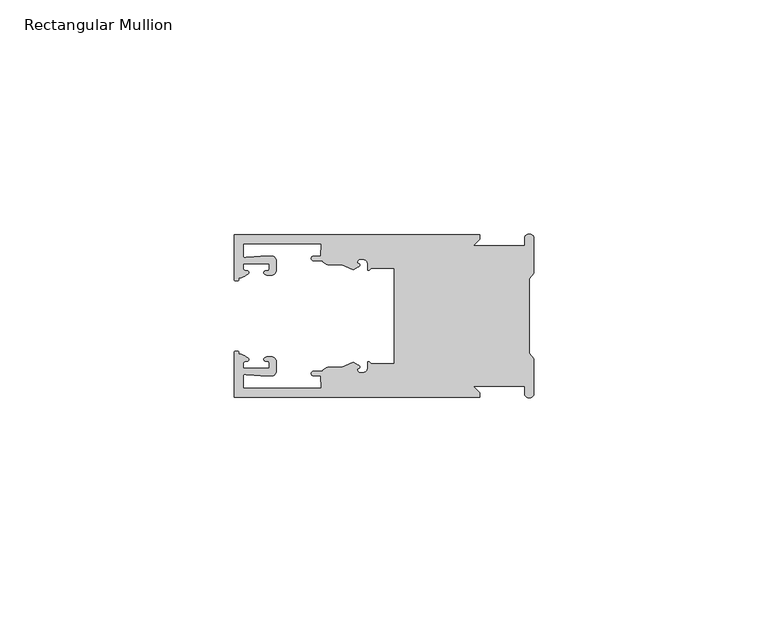
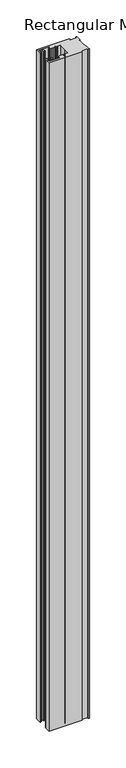
"""IFC4 building model written with IfcOpenShell, lengths in millimetres: member geometry, Rectangular Mullion."""

from ifc_helpers import new_model, si_unit, frame, origin, place, context, project, spatial, polyline, circle_curve, source, transform, mapped, element, save
from ifc_brep_helpers import plane_surface, cylinder_surface, revolved_surface, extruded_surface, spline_curve, advanced_brep


def rectangular_mullion_7a4bfeb4(model_context):
    return source(origin(), model_context, "Body", "AdvancedBrep", [
        advanced_brep(
        [(-11.5387897, 17.4000478, 0.0), (-64.0387868, 17.4000478, 0.0), (-64.0387868, 7.8350057, 0.0), (-63.2884687, 7.5412947, 0.0), (-62.4614154, 8.1921895, 0.0), (-62.0410649, 9.9426451, 0.0), (-62.0424168, 11.1926444, 0.0), (-56.54242, 11.1985924, 0.0), (-56.5410682, 9.9485931, 0.0), (-57.1085345, 8.7314723, 0.0), (-56.0397166, 8.6991345, 0.0), (-55.0407987, 9.7002154, 0.0), (-55.0430697, 11.8002142, 0.0), (-56.0446364, 12.7991315, 0.0), (-58.3650753, 12.7954945, 0.0), (-61.1340054, 12.5502269, 0.0), (-62.044093, 12.7426435, 0.0), (-62.0469668, 15.4000478, 0.0), (-45.4240312, 15.4000478, 0.0), (-45.5732135, 12.8000478, 0.0), (-47.0387868, 12.8000478, 0.0), (-47.0387868, 11.8000478, 0.0), (-45.2543363, 11.8000478, 0.0), (-43.6387868, 10.9000478, 0.0), (-41.0454034, 10.9000478, 0.0), (-38.5697136, 9.8718293, 0.0), (-37.5387868, 10.4670351, 0.0), (-37.6803436, 11.4201497, 0.0), (-37.0270763, 12.1583697, 0.0), (-36.2010815, 12.0127245, 0.0), (-35.54, 11.2248783, 0.0), (-35.54, 10.0, 0.0), (-34.7705791, 10.25, 0.0), (-29.79, 10.25, 0.0), (-29.79, 0.0, 0.0), (-29.79, -10.25, 0.0), (-34.7705791, -10.25, 0.0), (-35.54, -10.0, 0.0), (-35.54, -11.2248783, 0.0), (-36.2010815, -12.0127245, 0.0), (-37.0270763, -12.1583697, 0.0), (-37.6803436, -11.4201497, 0.0), (-37.5387868, -10.4670351, 0.0), (-38.5697136, -9.8718293, 0.0), (-41.0454034, -10.9000478, 0.0), (-43.6387868, -10.9000478, 0.0), (-45.2543363, -11.8000478, 0.0), (-47.0387868, -11.8000478, 0.0), (-47.0387868, -12.8000478, 0.0), (-45.5732135, -12.8000478, 0.0), (-45.4240312, -15.4000478, 0.0), (-62.0469668, -15.4000478, 0.0), (-62.044093, -12.7426435, 0.0), (-61.1340054, -12.5502269, 0.0), (-58.3650753, -12.7954945, 0.0), (-56.0446364, -12.7991314, 0.0), (-55.0430697, -11.8002142, 0.0), (-55.0407987, -9.7002154, 0.0), (-56.0397166, -8.6991345, 0.0), (-57.1085345, -8.7314723, 0.0), (-56.5410682, -9.9485931, 0.0), (-56.54242, -11.1985924, 0.0), (-62.0424168, -11.1926444, 0.0), (-62.0410649, -9.9426451, 0.0), (-62.4614154, -8.1921895, 0.0), (-63.2884687, -7.5412947, 0.0), (-64.0387868, -7.8350057, 0.0), (-64.0387868, -17.4000478, 0.0), (-11.5387897, -17.4000478, 0.0), (-11.5387897, -16.4000449, 0.0), (-12.9388346, -15.0, 0.0), (-2.0, -15.0, 0.0), (-2.0, -16.5, 0.0), (0.0, -16.5, 0.0), (0.0, -9.1160254, 0.0), (-1.0, -7.9613249, 0.0), (-1.0, 0.0, 0.0), (-1.0, 7.9613249, 0.0), (0.0, 9.1160254, 0.0), (0.0, 16.5, 0.0), (-2.0, 16.5, 0.0), (-2.0, 15.0, 0.0), (-12.9388346, 15.0, 0.0), (-11.5387897, 16.4000449, 0.0), (-11.5387897, 17.4000478, -1117.6), (-11.5387897, 16.4000449, -1117.6), (-12.9388346, 15.0, -1117.6), (-2.0, 15.0, -1117.6), (-2.0, 16.5, -1117.6), (0.0, 16.5, -1117.6), (0.0, 9.1160254, -1117.6), (-1.0, 7.9613249, -1117.6), (-1.0, 0.0, -1117.6), (-1.0, -7.9613249, -1117.6), (0.0, -9.1160254, -1117.6), (0.0, -16.5, -1117.6), (-2.0, -16.5, -1117.6), (-2.0, -15.0, -1117.6), (-12.9388346, -15.0, -1117.6), (-11.5387897, -16.4000449, -1117.6), (-11.5387897, -17.4000478, -1117.6), (-64.0387868, -17.4000478, -1117.6), (-64.0387868, -7.8350057, -1117.6), (-63.2884687, -7.5412947, -1117.6), (-62.4614154, -8.1921895, -1117.6), (-62.0410649, -9.9426451, -1117.6), (-62.0424168, -11.1926444, -1117.6), (-56.54242, -11.1985924, -1117.6), (-56.5410682, -9.9485931, -1117.6), (-57.1085345, -8.7314723, -1117.6), (-56.0397166, -8.6991345, -1117.6), (-55.0407987, -9.7002154, -1117.6), (-55.0430697, -11.8002142, -1117.6), (-56.0446364, -12.7991315, -1117.6), (-58.3650753, -12.7954945, -1117.6), (-61.1340054, -12.5502269, -1117.6), (-62.044093, -12.7426435, -1117.6), (-62.0469668, -15.4000478, -1117.6), (-45.4240312, -15.4000478, -1117.6), (-45.5732135, -12.8000478, -1117.6), (-47.0387868, -12.8000478, -1117.6), (-47.0387868, -11.8000478, -1117.6), (-45.2543363, -11.8000478, -1117.6), (-43.6387868, -10.9000478, -1117.6), (-41.0454034, -10.9000478, -1117.6), (-38.5697136, -9.8718293, -1117.6), (-37.5387868, -10.4670351, -1117.6), (-37.6803436, -11.4201497, -1117.6), (-37.0270763, -12.1583697, -1117.6), (-36.2010815, -12.0127245, -1117.6), (-35.54, -11.2248783, -1117.6), (-35.54, -10.0, -1117.6), (-34.7705791, -10.25, -1117.6), (-29.79, -10.25, -1117.6), (-29.79, 0.0, -1117.6), (-29.79, 10.25, -1117.6), (-34.7705791, 10.25, -1117.6), (-35.54, 10.0, -1117.6), (-35.54, 11.2248783, -1117.6), (-36.2010815, 12.0127245, -1117.6), (-37.0270763, 12.1583697, -1117.6), (-37.6803436, 11.4201497, -1117.6), (-37.5387868, 10.4670351, -1117.6), (-38.5697136, 9.8718293, -1117.6), (-41.0454034, 10.9000478, -1117.6), (-43.6387868, 10.9000478, -1117.6), (-45.2543363, 11.8000478, -1117.6), (-47.0387868, 11.8000478, -1117.6), (-47.0387868, 12.8000478, -1117.6), (-45.5732135, 12.8000478, -1117.6), (-45.4240312, 15.4000478, -1117.6), (-62.0469668, 15.4000478, -1117.6), (-62.044093, 12.7426435, -1117.6), (-61.1340054, 12.5502269, -1117.6), (-58.3650753, 12.7954945, -1117.6), (-56.0446364, 12.7991314, -1117.6), (-55.0430697, 11.8002142, -1117.6), (-55.0407987, 9.7002154, -1117.6), (-56.0397166, 8.6991345, -1117.6), (-57.1085345, 8.7314723, -1117.6), (-56.5410682, 9.9485931, -1117.6), (-56.54242, 11.1985924, -1117.6), (-62.0424168, 11.1926444, -1117.6), (-62.0410649, 9.9426451, -1117.6), (-62.4614154, 8.1921895, -1117.6), (-63.2884687, 7.5412947, -1117.6), (-64.0387868, 7.8350057, -1117.6), (-64.0387868, 17.4000478, -1117.6)],
        [
            (0, 1),
            (1, 2),
            (2, 3, spline_curve(3, [(-64.0387868, 7.8350057, 0.0), (-64.038491377, 7.561831774, 0.0), (-63.788385325, 7.463928087, 0.0), (-63.2884687, 7.5412947, 0.0)], [4, 4], [0.0, 0.0019169337574178654])),
            (3, 4, spline_curve(3, [(-63.2884687, 7.5412947, 0.0), (-63.057760917, 7.582232011, 0.0), (-63.018445067, 7.725390894, 0.0), (-63.019925494, 8.056436881, 0.0), (-63.103444208, 8.236386866, 0.0), (-62.4614154, 8.1921895, 0.0)], [4, 2, 4], [0.0, 0.0010199524164107188, 0.0024874514725970356])),
            (4, 5, spline_curve(3, [(-62.4614154, 8.1921895, 0.0), (-60.988497673, 8.880962536, 0.0), (-60.794045122, 9.192776957, 0.0), (-60.949808078, 9.57023562, 0.0), (-61.145214014, 9.682771697, 0.0), (-61.665835706, 9.714019003, 0.0), (-61.965242574, 9.660891484, 0.0), (-62.0410649, 9.9426451, 0.0)], [4, 2, 2, 4], [0.0, 0.003269869179570428, 0.005490050486237203, 0.0073545767114364426])),
            (5, 6),
            (6, 7),
            (7, 8),
            (8, 9, spline_curve(3, [(-56.5410682, 9.9485931, 0.0), (-56.634838635, 9.597117104, 0.0), (-56.904956774, 9.698238818, 0.0), (-57.324171444, 9.731086209, 0.0), (-57.45969165, 9.646199885, 0.0), (-57.729003352, 9.346016011, 0.0), (-57.859492582, 9.113082158, 0.0), (-57.1085345, 8.7314723, 0.0)], [4, 2, 2, 4], [0.0, 0.001593963049934732, 0.0033360256320283306, 0.005339140673503943])),
            (9, 10),
            (10, 11, circle_curve(frame((-56.0407981, 9.699134, 0.0), z_axis=(0.0, 0.0, 1.0), x_axis=(0.0010814451158627505, -0.9999994152380598, 0.0)), 1.0)),
            (11, 12),
            (12, 13, circle_curve(frame((-56.0430691, 11.7991327, 0.0), z_axis=(0.0, 0.0, 1.0), x_axis=(0.0010814451158627505, -0.9999994152380598, 0.0)), 1.0)),
            (13, 14),
            (14, 15),
            (15, 16, spline_curve(3, [(-61.1340054, 12.5502269, 0.0), (-61.605485428, 12.508463911, 0.0), (-61.992111419, 12.303164326, 0.0), (-62.044093, 12.7426435, 0.0)], [4, 4], [0.0, 0.0014803385355886016])),
            (16, 17),
            (17, 18),
            (18, 19),
            (19, 20),
            (20, 21, circle_curve(frame((-47.0387868, 12.3000478, 0.0), z_axis=(0.0, 0.0, 1.0), x_axis=(0.0, -1.0, 0.0)), 0.5)),
            (21, 22),
            (22, 23, circle_curve(frame((-43.6387868, 12.8000478, 0.0), z_axis=(0.0, 0.0, 1.0), x_axis=(0.0, -1.0, 0.0)), 1.9)),
            (23, 24),
            (24, 25),
            (25, 26),
            (26, 27, spline_curve(3, [(-37.5387868, 10.4670351, 0.0), (-36.973919853, 10.833863985, 0.0), (-37.198159645, 11.135696286, 0.0), (-37.587892011, 11.260246073, 0.0), (-37.754584192, 11.180452419, 0.0), (-37.6803436, 11.4201497, 0.0)], [4, 2, 4], [0.0, 0.0019283703160353726, 0.003394584635652914])),
            (27, 28, circle_curve(frame((-37.0434863, 11.5147359, 0.0), z_axis=(0.0, 0.0, -1.0), x_axis=(0.0, -1.0, 0.0)), 0.643843)),
            (28, 29),
            (29, 30, circle_curve(frame((-36.34, 11.2248783, 0.0), z_axis=(0.0, 0.0, -1.0), x_axis=(0.0, -1.0, 0.0)), 0.8)),
            (30, 31),
            (31, 32, spline_curve(3, [(-35.54, 10.0, 0.0), (-35.440000238, 9.598293201, 0.0), (-35.183526594, 9.681626535, 0.0), (-34.7705791, 10.25, 0.0)], [4, 4], [0.0, 0.0027473296990141553])),
            (32, 33),
            (33, 34),
            (34, 35),
            (35, 36),
            (36, 37, spline_curve(3, [(-34.7705791, -10.25, 0.0), (-35.183526594, -9.681626535, 0.0), (-35.440000238, -9.598293201, 0.0), (-35.54, -10.0, 0.0)], [4, 4], [0.0, 0.0027473296990141553])),
            (37, 38),
            (38, 39, circle_curve(frame((-36.34, -11.2248783, 0.0), z_axis=(0.0, 0.0, -1.0), x_axis=(0.0, 1.0, 0.0)), 0.8)),
            (39, 40),
            (40, 41, circle_curve(frame((-37.0434863, -11.5147359, 0.0), z_axis=(0.0, 0.0, -1.0), x_axis=(0.0, 1.0, 0.0)), 0.643843)),
            (41, 42, spline_curve(3, [(-37.6803436, -11.4201497, 0.0), (-37.754584192, -11.180452419, 0.0), (-37.587892011, -11.260246073, 0.0), (-37.198159645, -11.135696286, 0.0), (-36.973919853, -10.833863985, 0.0), (-37.5387868, -10.4670351, 0.0)], [4, 2, 4], [0.0, 0.0014662143196175414, 0.003394584635652914])),
            (42, 43),
            (43, 44),
            (44, 45),
            (45, 46, circle_curve(frame((-43.6387868, -12.8000478, 0.0), z_axis=(0.0, 0.0, 1.0), x_axis=(0.0, 1.0, 0.0)), 1.9)),
            (46, 47),
            (47, 48, circle_curve(frame((-47.0387868, -12.3000478, 0.0), z_axis=(0.0, 0.0, 1.0), x_axis=(0.0, 1.0, 0.0)), 0.5)),
            (48, 49),
            (49, 50),
            (50, 51),
            (51, 52),
            (52, 53, spline_curve(3, [(-62.044093, -12.7426435, 0.0), (-61.992111419, -12.303164326, 0.0), (-61.605485428, -12.508463911, 0.0), (-61.1340054, -12.5502269, 0.0)], [4, 4], [0.0, 0.0014803385355886016])),
            (53, 54),
            (54, 55),
            (55, 56, circle_curve(frame((-56.0430691, -11.7991327, 0.0), z_axis=(0.0, 0.0, 1.0), x_axis=(0.001081445115855867, 0.9999994152380598, 0.0)), 1.0)),
            (56, 57),
            (57, 58, circle_curve(frame((-56.0407981, -9.699134, 0.0), z_axis=(0.0, 0.0, 1.0), x_axis=(0.001081445115855867, 0.9999994152380598, 0.0)), 1.0)),
            (58, 59),
            (59, 60, spline_curve(3, [(-57.1085345, -8.7314723, 0.0), (-57.859492582, -9.113082158, 0.0), (-57.729003352, -9.346016011, 0.0), (-57.45969165, -9.646199885, 0.0), (-57.324171444, -9.731086209, 0.0), (-56.904956774, -9.698238818, 0.0), (-56.634838635, -9.597117104, 0.0), (-56.5410682, -9.9485931, 0.0)], [4, 2, 2, 4], [0.0, 0.002003115041475612, 0.0037451776235692107, 0.005339140673503943])),
            (60, 61),
            (61, 62),
            (62, 63),
            (63, 64, spline_curve(3, [(-62.0410649, -9.9426451, 0.0), (-61.965242574, -9.660891484, 0.0), (-61.665835706, -9.714019003, 0.0), (-61.145214014, -9.682771697, 0.0), (-60.949808078, -9.57023562, 0.0), (-60.794045122, -9.192776957, 0.0), (-60.988497673, -8.880962536, 0.0), (-62.4614154, -8.1921895, 0.0)], [4, 2, 2, 4], [0.0, 0.0018645262251992395, 0.004084707531866015, 0.0073545767114364426])),
            (64, 65, spline_curve(3, [(-62.4614154, -8.1921895, 0.0), (-63.103444208, -8.236386866, 0.0), (-63.019925494, -8.056436881, 0.0), (-63.018445067, -7.725390894, 0.0), (-63.057760917, -7.582232011, 0.0), (-63.2884687, -7.5412947, 0.0)], [4, 2, 4], [0.0, 0.0014674990561863168, 0.0024874514725970356])),
            (65, 66, spline_curve(3, [(-63.2884687, -7.5412947, 0.0), (-63.788385325, -7.463928087, 0.0), (-64.038491377, -7.561831774, 0.0), (-64.0387868, -7.8350057, 0.0)], [4, 4], [0.0, 0.0019169337574178654])),
            (66, 67),
            (67, 68),
            (68, 69),
            (69, 70),
            (70, 71),
            (71, 72),
            (72, 73, circle_curve(frame((-1.0, -16.5, 0.0), z_axis=(0.0, 0.0, 1.0), x_axis=(0.0, 1.0, 0.0)), 1.0)),
            (73, 74),
            (74, 75),
            (75, 76),
            (76, 77),
            (77, 78),
            (78, 79),
            (79, 80, circle_curve(frame((-1.0, 16.5, 0.0), z_axis=(0.0, 0.0, 1.0), x_axis=(0.0, -1.0, 0.0)), 1.0)),
            (80, 81),
            (81, 82),
            (82, 83),
            (83, 0),
            (84, 85),
            (85, 86),
            (86, 87),
            (87, 88),
            (88, 89, circle_curve(frame((-1.0, 16.5, -1117.6), z_axis=(0.0, 0.0, -1.0), x_axis=(0.0, -1.0, 0.0)), 1.0)),
            (89, 90),
            (90, 91),
            (91, 92),
            (92, 93),
            (93, 94),
            (94, 95),
            (95, 96, circle_curve(frame((-1.0, -16.5, -1117.6), z_axis=(0.0, 0.0, -1.0), x_axis=(0.0, 1.0, 0.0)), 1.0)),
            (96, 97),
            (97, 98),
            (98, 99),
            (99, 100),
            (100, 101),
            (101, 102),
            (102, 103, spline_curve(3, [(-64.0387868, -7.8350057, -1117.6), (-64.038491377, -7.561831774, -1117.6), (-63.788385325, -7.463928087, -1117.6), (-63.2884687, -7.5412947, -1117.6)], [4, 4], [0.0, 0.0019169337574178654])),
            (103, 104, spline_curve(3, [(-63.2884687, -7.5412947, -1117.6), (-63.057760917, -7.582232011, -1117.6), (-63.018445067, -7.725390894, -1117.6), (-63.019925494, -8.056436881, -1117.6), (-63.103444208, -8.236386866, -1117.6), (-62.4614154, -8.1921895, -1117.6)], [4, 2, 4], [0.0, 0.0010199524164107188, 0.0024874514725970356])),
            (104, 105, spline_curve(3, [(-62.4614154, -8.1921895, -1117.6), (-60.988497673, -8.880962536, -1117.6), (-60.794045122, -9.192776957, -1117.6), (-60.949808078, -9.57023562, -1117.6), (-61.145214014, -9.682771697, -1117.6), (-61.665835706, -9.714019003, -1117.6), (-61.965242574, -9.660891484, -1117.6), (-62.0410649, -9.9426451, -1117.6)], [4, 2, 2, 4], [0.0, 0.003269869179570428, 0.005490050486237203, 0.0073545767114364426])),
            (105, 106),
            (106, 107),
            (107, 108),
            (108, 109, spline_curve(3, [(-56.5410682, -9.9485931, -1117.6), (-56.634838635, -9.597117104, -1117.6), (-56.904956774, -9.698238818, -1117.6), (-57.324171444, -9.731086209, -1117.6), (-57.45969165, -9.646199885, -1117.6), (-57.729003352, -9.346016011, -1117.6), (-57.859492582, -9.113082158, -1117.6), (-57.1085345, -8.7314723, -1117.6)], [4, 2, 2, 4], [0.0, 0.001593963049934732, 0.0033360256320283306, 0.005339140673503943])),
            (109, 110),
            (110, 111, circle_curve(frame((-56.0407981, -9.699134, -1117.6), z_axis=(0.0, 0.0, -1.0), x_axis=(0.001081445115855867, 0.9999994152380598, 0.0)), 1.0)),
            (111, 112),
            (112, 113, circle_curve(frame((-56.0430691, -11.7991327, -1117.6), z_axis=(0.0, 0.0, -1.0), x_axis=(0.001081445115855867, 0.9999994152380598, 0.0)), 1.0)),
            (113, 114),
            (114, 115),
            (115, 116, spline_curve(3, [(-61.1340054, -12.5502269, -1117.6), (-61.605485428, -12.508463911, -1117.6), (-61.992111419, -12.303164326, -1117.6), (-62.044093, -12.7426435, -1117.6)], [4, 4], [0.0, 0.0014803385355886016])),
            (116, 117),
            (117, 118),
            (118, 119),
            (119, 120),
            (120, 121, circle_curve(frame((-47.0387868, -12.3000478, -1117.6), z_axis=(0.0, 0.0, -1.0), x_axis=(0.0, 1.0, 0.0)), 0.5)),
            (121, 122),
            (122, 123, circle_curve(frame((-43.6387868, -12.8000478, -1117.6), z_axis=(0.0, 0.0, -1.0), x_axis=(0.0, 1.0, 0.0)), 1.9)),
            (123, 124),
            (124, 125),
            (125, 126),
            (126, 127, spline_curve(3, [(-37.5387868, -10.4670351, -1117.6), (-36.973919853, -10.833863985, -1117.6), (-37.198159645, -11.135696286, -1117.6), (-37.587892011, -11.260246073, -1117.6), (-37.754584192, -11.180452419, -1117.6), (-37.6803436, -11.4201497, -1117.6)], [4, 2, 4], [0.0, 0.0019283703160353726, 0.003394584635652914])),
            (127, 128, circle_curve(frame((-37.0434863, -11.5147359, -1117.6), z_axis=(0.0, 0.0, 1.0), x_axis=(0.0, 1.0, 0.0)), 0.643843)),
            (128, 129),
            (129, 130, circle_curve(frame((-36.34, -11.2248783, -1117.6), z_axis=(0.0, 0.0, 1.0), x_axis=(0.0, 1.0, 0.0)), 0.8)),
            (130, 131),
            (131, 132, spline_curve(3, [(-35.54, -10.0, -1117.6), (-35.440000238, -9.598293201, -1117.6), (-35.183526594, -9.681626535, -1117.6), (-34.7705791, -10.25, -1117.6)], [4, 4], [0.0, 0.0027473296990141553])),
            (132, 133),
            (133, 134),
            (134, 135),
            (135, 136),
            (136, 137, spline_curve(3, [(-34.7705791, 10.25, -1117.6), (-35.183526594, 9.681626535, -1117.6), (-35.440000238, 9.598293201, -1117.6), (-35.54, 10.0, -1117.6)], [4, 4], [0.0, 0.0027473296990141553])),
            (137, 138),
            (138, 139, circle_curve(frame((-36.34, 11.2248783, -1117.6), z_axis=(0.0, 0.0, 1.0), x_axis=(0.0, -1.0, 0.0)), 0.8)),
            (139, 140),
            (140, 141, circle_curve(frame((-37.0434863, 11.5147359, -1117.6), z_axis=(0.0, 0.0, 1.0), x_axis=(0.0, -1.0, 0.0)), 0.643843)),
            (141, 142, spline_curve(3, [(-37.6803436, 11.4201497, -1117.6), (-37.754584192, 11.180452419, -1117.6), (-37.587892011, 11.260246073, -1117.6), (-37.198159645, 11.135696286, -1117.6), (-36.973919853, 10.833863985, -1117.6), (-37.5387868, 10.4670351, -1117.6)], [4, 2, 4], [0.0, 0.0014662143196175414, 0.003394584635652914])),
            (142, 143),
            (143, 144),
            (144, 145),
            (145, 146, circle_curve(frame((-43.6387868, 12.8000478, -1117.6), z_axis=(0.0, 0.0, -1.0), x_axis=(0.0, -1.0, 0.0)), 1.9)),
            (146, 147),
            (147, 148, circle_curve(frame((-47.0387868, 12.3000478, -1117.6), z_axis=(0.0, 0.0, -1.0), x_axis=(0.0, -1.0, 0.0)), 0.5)),
            (148, 149),
            (149, 150),
            (150, 151),
            (151, 152),
            (152, 153, spline_curve(3, [(-62.044093, 12.7426435, -1117.6), (-61.992111419, 12.303164326, -1117.6), (-61.605485428, 12.508463911, -1117.6), (-61.1340054, 12.5502269, -1117.6)], [4, 4], [0.0, 0.0014803385355886016])),
            (153, 154),
            (154, 155),
            (155, 156, circle_curve(frame((-56.0430691, 11.7991327, -1117.6), z_axis=(0.0, 0.0, -1.0), x_axis=(0.0010814451158627505, -0.9999994152380598, 0.0)), 1.0)),
            (156, 157),
            (157, 158, circle_curve(frame((-56.0407981, 9.699134, -1117.6), z_axis=(0.0, 0.0, -1.0), x_axis=(0.0010814451158627505, -0.9999994152380598, 0.0)), 1.0)),
            (158, 159),
            (159, 160, spline_curve(3, [(-57.1085345, 8.7314723, -1117.6), (-57.859492582, 9.113082158, -1117.6), (-57.729003352, 9.346016011, -1117.6), (-57.45969165, 9.646199885, -1117.6), (-57.324171444, 9.731086209, -1117.6), (-56.904956774, 9.698238818, -1117.6), (-56.634838635, 9.597117104, -1117.6), (-56.5410682, 9.9485931, -1117.6)], [4, 2, 2, 4], [0.0, 0.002003115041475612, 0.0037451776235692107, 0.005339140673503943])),
            (160, 161),
            (161, 162),
            (162, 163),
            (163, 164, spline_curve(3, [(-62.0410649, 9.9426451, -1117.6), (-61.965242574, 9.660891484, -1117.6), (-61.665835706, 9.714019003, -1117.6), (-61.145214014, 9.682771697, -1117.6), (-60.949808078, 9.57023562, -1117.6), (-60.794045122, 9.192776957, -1117.6), (-60.988497673, 8.880962536, -1117.6), (-62.4614154, 8.1921895, -1117.6)], [4, 2, 2, 4], [0.0, 0.0018645262251992395, 0.004084707531866015, 0.0073545767114364426])),
            (164, 165, spline_curve(3, [(-62.4614154, 8.1921895, -1117.6), (-63.103444208, 8.236386866, -1117.6), (-63.019925494, 8.056436881, -1117.6), (-63.018445067, 7.725390894, -1117.6), (-63.057760917, 7.582232011, -1117.6), (-63.2884687, 7.5412947, -1117.6)], [4, 2, 4], [0.0, 0.0014674990561863168, 0.0024874514725970356])),
            (165, 166, spline_curve(3, [(-63.2884687, 7.5412947, -1117.6), (-63.788385325, 7.463928087, -1117.6), (-64.038491377, 7.561831774, -1117.6), (-64.0387868, 7.8350057, -1117.6)], [4, 4], [0.0, 0.0019169337574178654])),
            (166, 167),
            (167, 84),
            (0, 84),
            (167, 1),
            (166, 2),
            (165, 3),
            (164, 4),
            (163, 5),
            (162, 6),
            (161, 7),
            (160, 8),
            (159, 9),
            (158, 10),
            (157, 11),
            (156, 12),
            (155, 13),
            (154, 14),
            (153, 15),
            (152, 16),
            (151, 17),
            (150, 18),
            (149, 19),
            (148, 20),
            (147, 21),
            (146, 22),
            (145, 23),
            (144, 24),
            (143, 25),
            (142, 26),
            (141, 27),
            (140, 28),
            (139, 29),
            (138, 30),
            (137, 31),
            (136, 32),
            (135, 33),
            (134, 34),
            (133, 35),
            (132, 36),
            (131, 37),
            (130, 38),
            (129, 39),
            (128, 40),
            (127, 41),
            (126, 42),
            (125, 43),
            (124, 44),
            (123, 45),
            (122, 46),
            (121, 47),
            (120, 48),
            (119, 49),
            (118, 50),
            (117, 51),
            (116, 52),
            (115, 53),
            (114, 54),
            (113, 55),
            (112, 56),
            (111, 57),
            (110, 58),
            (109, 59),
            (108, 60),
            (107, 61),
            (106, 62),
            (105, 63),
            (104, 64),
            (103, 65),
            (102, 66),
            (101, 67),
            (100, 68),
            (99, 69),
            (98, 70),
            (97, 71),
            (96, 72),
            (95, 73),
            (94, 74),
            (93, 75),
            (92, 76),
            (91, 77),
            (90, 78),
            (89, 79),
            (88, 80),
            (87, 81),
            (86, 82),
            (85, 83),
        ],
        [
            plane_surface(frame((0.0, -66.3605898, 0.0), z_axis=(0.0, 0.0, 1.0), x_axis=(-1.0, 0.0, 0.0))),
            plane_surface(frame((0.0, -66.3605898, -1117.6), z_axis=(0.0, 0.0, -1.0), x_axis=(-1.0, 0.0, 0.0))),
            plane_surface(frame((-11.5387897, 17.4000478, 0.0), z_axis=(0.0, 1.0, 0.0), x_axis=(0.0, 0.0, -1.0))),
            plane_surface(frame((-64.0387868, 17.4000478, 0.0), z_axis=(-1.0, 0.0, 0.0), x_axis=(0.0, 0.0, -1.0))),
            extruded_surface(spline_curve(3, [(-64.0387868, 7.8350057, -1117.6), (-64.038491377, 7.561831774, -1117.6), (-63.788385325, 7.463928087, -1117.6), (-63.2884687, 7.5412947, -1117.6)], [4, 4], [0.0, 0.0019169337574178654]), (0.0, 0.0, 1117.6), 1117.6),
            extruded_surface(spline_curve(3, [(-63.2884687, 7.5412947, -1117.6), (-63.057760917, 7.582232011, -1117.6), (-63.018445067, 7.725390894, -1117.6), (-63.019925494, 8.056436881, -1117.6), (-63.103444208, 8.236386866, -1117.6), (-62.4614154, 8.1921895, -1117.6)], [4, 2, 4], [0.0, 0.0010199524164107188, 0.0024874514725970356]), (0.0, 0.0, 1117.6), 1117.6),
            extruded_surface(spline_curve(3, [(-62.4614154, 8.1921895, -1117.6), (-60.988497673, 8.880962536, -1117.6), (-60.794045122, 9.192776957, -1117.6), (-60.949808078, 9.57023562, -1117.6), (-61.145214014, 9.682771697, -1117.6), (-61.665835706, 9.714019003, -1117.6), (-61.965242574, 9.660891484, -1117.6), (-62.0410649, 9.9426451, -1117.6)], [4, 2, 2, 4], [0.0, 0.003269869179570428, 0.005490050486237203, 0.0073545767114364426]), (0.0, 0.0, 1117.6), 1117.6),
            plane_surface(frame((-62.0410649, 9.9426451, 0.0), z_axis=(0.9999994152380598, 0.0010814451158593665, 0.0), x_axis=(0.0, 0.0, -1.0))),
            plane_surface(frame((-62.0424168, 11.1926444, 0.0), z_axis=(0.0010814451158611391, -0.9999994152380598, 0.0), x_axis=(0.0, 0.0, -1.0))),
            plane_surface(frame((-56.54242, 11.1985924, 0.0), z_axis=(-0.9999994152380598, -0.0010814451158584516, 0.0), x_axis=(0.0, 0.0, -1.0))),
            extruded_surface(spline_curve(3, [(-56.5410682, 9.9485931, -1117.6), (-56.634838635, 9.597117104, -1117.6), (-56.904956774, 9.698238818, -1117.6), (-57.324171444, 9.731086209, -1117.6), (-57.45969165, 9.646199885, -1117.6), (-57.729003352, 9.346016011, -1117.6), (-57.859492582, 9.113082158, -1117.6), (-57.1085345, 8.7314723, -1117.6)], [4, 2, 2, 4], [0.0, 0.001593963049934732, 0.0033360256320283306, 0.005339140673503943]), (0.0, 0.0, 1117.6), 1117.6),
            plane_surface(frame((-57.1085345, 8.7314723, 0.0), z_axis=(-0.030241832452869922, -0.9995426111826813, 0.0), x_axis=(0.0, 0.0, -1.0))),
            cylinder_surface(frame((-56.0407981, 9.699134, 0.0), z_axis=(0.0, 0.0, 1.0000000000000002), x_axis=(0.0010814451158627505, -0.9999994152380598, 0.0)), 1.0),
            plane_surface(frame((-55.0407987, 9.7002154, 0.0), z_axis=(0.9999994152380598, 0.001081445115858722, 0.0), x_axis=(0.0, 0.0, -1.0))),
            cylinder_surface(frame((-56.0430691, 11.7991327, 0.0), z_axis=(0.0, 0.0, 1.0000000000000002), x_axis=(0.0010814451158627505, -0.9999994152380598, 0.0)), 1.0),
            plane_surface(frame((-56.0446364, 12.7991314, 0.0), z_axis=(-0.0015673183327907744, 0.9999987717558677, 0.0), x_axis=(0.0, 0.0, -1.0))),
            plane_surface(frame((-58.3650753, 12.7954945, 0.0), z_axis=(-0.08823302167299531, 0.9960998614026874, 0.0), x_axis=(0.0, 0.0, -1.0))),
            extruded_surface(spline_curve(3, [(-61.1340054, 12.5502269, -1117.6), (-61.605485428, 12.508463911, -1117.6), (-61.992111419, 12.303164326, -1117.6), (-62.044093, 12.7426435, -1117.6)], [4, 4], [0.0, 0.0014803385355886016]), (0.0, 0.0, 1117.6), 1117.6),
            plane_surface(frame((-62.044093, 12.7426435, 0.0), z_axis=(0.9999994152380598, 0.0010814451158597813, 0.0), x_axis=(0.0, 0.0, -1.0))),
            plane_surface(frame((-62.0469668, 15.4000478, 0.0), z_axis=(0.0, -1.0, 0.0), x_axis=(0.0, 0.0, -1.0))),
            plane_surface(frame((-45.4240312, 15.4000478, 0.0), z_axis=(-0.9983579461523547, 0.05728360458675776, 0.0), x_axis=(0.0, 0.0, -1.0))),
            plane_surface(frame((-45.5732135, 12.8000478, 0.0), z_axis=(0.0, 1.0, 0.0), x_axis=(0.0, 0.0, -1.0))),
            cylinder_surface(frame((-47.0387868, 12.3000478, 0.0), z_axis=(0.0, 0.0, 1.0), x_axis=(0.0, -1.0, 0.0)), 0.5),
            plane_surface(frame((-47.0387868, 11.8000478, 0.0), z_axis=(0.0, -1.0, 0.0), x_axis=(0.0, 0.0, -1.0))),
            cylinder_surface(frame((-43.6387868, 12.8000478, 0.0), z_axis=(0.0, 0.0, 1.0), x_axis=(0.0, -1.0, 0.0)), 1.9),
            plane_surface(frame((-43.6387868, 10.9000478, 0.0), z_axis=(0.0, -1.0, 0.0), x_axis=(0.0, 0.0, -1.0))),
            plane_surface(frame((-41.0454034, 10.9000478, 0.0), z_axis=(-0.3835602140750569, -0.9235158700199453, 0.0), x_axis=(0.0, 0.0, -1.0))),
            plane_surface(frame((-38.5697136, 9.8718293, 0.0), z_axis=(0.5000000000252295, -0.8660254037698725, 0.0), x_axis=(0.0, 0.0, -1.0))),
            extruded_surface(spline_curve(3, [(-37.5387868, 10.4670351, -1117.6), (-36.973919853, 10.833863985, -1117.6), (-37.198159645, 11.135696286, -1117.6), (-37.587892011, 11.260246073, -1117.6), (-37.754584192, 11.180452419, -1117.6), (-37.6803436, 11.4201497, -1117.6)], [4, 2, 4], [0.0, 0.0019283703160353726, 0.003394584635652914]), (0.0, 0.0, 1117.6), 1117.6),
            revolved_surface(polyline([(-37.0434863, 10.8708929, -1117.6), (-37.0434863, 10.8708929, 0.0)]), (-37.0434863, 11.5147359, 0.0), (0.0, 0.0, -1.0)),
            plane_surface(frame((-37.0270763, 12.1583697, 0.0), z_axis=(-0.17364817767050408, -0.984807753011578, 0.0), x_axis=(0.0, 0.0, -1.0))),
            revolved_surface(polyline([(-36.34, 10.4248783, -1117.6), (-36.34, 10.4248783, 0.0)]), (-36.34, 11.2248783, 0.0), (0.0, 0.0, -1.0)),
            plane_surface(frame((-35.54, 11.2248783, 0.0), z_axis=(-1.0, 0.0, 0.0), x_axis=(0.0, 0.0, -1.0))),
            extruded_surface(spline_curve(3, [(-35.54, 10.0, -1117.6), (-35.440000238, 9.598293201, -1117.6), (-35.183526594, 9.681626535, -1117.6), (-34.7705791, 10.25, -1117.6)], [4, 4], [0.0, 0.0027473296990141553]), (0.0, 0.0, 1117.6), 1117.6),
            plane_surface(frame((-34.7705791, 10.25, 0.0), z_axis=(0.0, -1.0, 0.0), x_axis=(0.0, 0.0, -1.0))),
            plane_surface(frame((-29.79, 10.25, 0.0), z_axis=(-1.0, 0.0, 0.0), x_axis=(0.0, 0.0, -1.0))),
            plane_surface(frame((-29.79, 0.0, 0.0), z_axis=(-1.0, 0.0, 0.0), x_axis=(0.0, 0.0, -1.0))),
            plane_surface(frame((-29.79, -10.25, 0.0), z_axis=(0.0, 1.0, 0.0), x_axis=(0.0, 0.0, -1.0))),
            extruded_surface(spline_curve(3, [(-34.7705791, -10.25, -1117.6), (-35.183526594, -9.681626535, -1117.6), (-35.440000238, -9.598293201, -1117.6), (-35.54, -10.0, -1117.6)], [4, 4], [0.0, 0.0027473296990141553]), (0.0, 0.0, 1117.6), 1117.6),
            plane_surface(frame((-35.54, -10.0, 0.0), z_axis=(-1.0, 0.0, 0.0), x_axis=(0.0, 0.0, -1.0))),
            revolved_surface(polyline([(-36.34, -10.4248783, -1117.6), (-36.34, -10.4248783, 0.0)]), (-36.34, -11.2248783, 0.0), (0.0, 0.0, -1.0)),
            plane_surface(frame((-36.2010815, -12.0127245, 0.0), z_axis=(-0.17364817767051083, 0.9848077530115767, 0.0), x_axis=(0.0, 0.0, -1.0))),
            revolved_surface(polyline([(-37.0434863, -10.8708929, -1117.6), (-37.0434863, -10.8708929, 0.0)]), (-37.0434863, -11.5147359, 0.0), (0.0, 0.0, -1.0)),
            extruded_surface(spline_curve(3, [(-37.6803436, -11.4201497, -1117.6), (-37.754584192, -11.180452419, -1117.6), (-37.587892011, -11.260246073, -1117.6), (-37.198159645, -11.135696286, -1117.6), (-36.973919853, -10.833863985, -1117.6), (-37.5387868, -10.4670351, -1117.6)], [4, 2, 4], [0.0, 0.0014662143196175414, 0.003394584635652914]), (0.0, 0.0, 1117.6), 1117.6),
            plane_surface(frame((-37.5387868, -10.4670351, 0.0), z_axis=(0.5000000000252234, 0.8660254037698759, 0.0), x_axis=(0.0, 0.0, -1.0))),
            plane_surface(frame((-38.5697136, -9.8718293, 0.0), z_axis=(-0.38356021407506324, 0.9235158700199426, 0.0), x_axis=(0.0, 0.0, -1.0))),
            plane_surface(frame((-41.0454034, -10.9000478, 0.0), z_axis=(0.0, 1.0, 0.0), x_axis=(0.0, 0.0, -1.0))),
            cylinder_surface(frame((-43.6387868, -12.8000478, 0.0), z_axis=(0.0, 0.0, 1.0), x_axis=(0.0, 1.0, 0.0)), 1.9),
            plane_surface(frame((-45.2543363, -11.8000478, 0.0), z_axis=(0.0, 1.0, 0.0), x_axis=(0.0, 0.0, -1.0))),
            cylinder_surface(frame((-47.0387868, -12.3000478, 0.0), z_axis=(0.0, 0.0, 1.0), x_axis=(0.0, 1.0, 0.0)), 0.5),
            plane_surface(frame((-47.0387868, -12.8000478, 0.0), z_axis=(0.0, -1.0, 0.0), x_axis=(0.0, 0.0, -1.0))),
            plane_surface(frame((-45.5732135, -12.8000478, 0.0), z_axis=(-0.9983579461523543, -0.05728360458676463, 0.0), x_axis=(0.0, 0.0, -1.0))),
            plane_surface(frame((-45.4240312, -15.4000478, 0.0), z_axis=(0.0, 1.0, 0.0), x_axis=(0.0, 0.0, -1.0))),
            plane_surface(frame((-62.0469668, -15.4000478, 0.0), z_axis=(0.9999994152380598, -0.001081445115852898, 0.0), x_axis=(0.0, 0.0, -1.0))),
            extruded_surface(spline_curve(3, [(-62.044093, -12.7426435, -1117.6), (-61.992111419, -12.303164326, -1117.6), (-61.605485428, -12.508463911, -1117.6), (-61.1340054, -12.5502269, -1117.6)], [4, 4], [0.0, 0.0014803385355886016]), (0.0, 0.0, 1117.6), 1117.6),
            plane_surface(frame((-61.1340054, -12.5502269, 0.0), z_axis=(-0.08823302167298844, -0.9960998614026879, 0.0), x_axis=(0.0, 0.0, -1.0))),
            plane_surface(frame((-58.3650753, -12.7954945, 0.0), z_axis=(-0.001567318332783891, -0.9999987717558677, 0.0), x_axis=(0.0, 0.0, -1.0))),
            cylinder_surface(frame((-56.0430691, -11.7991327, 0.0), z_axis=(0.0, 0.0, 1.0000000000000002), x_axis=(0.001081445115855867, 0.9999994152380598, 0.0)), 1.0),
            plane_surface(frame((-55.0430697, -11.8002142, 0.0), z_axis=(0.9999994152380598, -0.0010814451158518386, 0.0), x_axis=(0.0, 0.0, -1.0))),
            cylinder_surface(frame((-56.0407981, -9.699134, 0.0), z_axis=(0.0, 0.0, 1.0000000000000002), x_axis=(0.001081445115855867, 0.9999994152380598, 0.0)), 1.0),
            plane_surface(frame((-56.0397166, -8.6991345, 0.0), z_axis=(-0.030241832452876805, 0.9995426111826811, 0.0), x_axis=(0.0, 0.0, -1.0))),
            extruded_surface(spline_curve(3, [(-57.1085345, -8.7314723, -1117.6), (-57.859492582, -9.113082158, -1117.6), (-57.729003352, -9.346016011, -1117.6), (-57.45969165, -9.646199885, -1117.6), (-57.324171444, -9.731086209, -1117.6), (-56.904956774, -9.698238818, -1117.6), (-56.634838635, -9.597117104, -1117.6), (-56.5410682, -9.9485931, -1117.6)], [4, 2, 2, 4], [0.0, 0.002003115041475612, 0.0037451776235692107, 0.005339140673503943]), (0.0, 0.0, 1117.6), 1117.6),
            plane_surface(frame((-56.5410682, -9.9485931, 0.0), z_axis=(-0.9999994152380598, 0.0010814451158515682, 0.0), x_axis=(0.0, 0.0, -1.0))),
            plane_surface(frame((-56.54242, -11.1985924, 0.0), z_axis=(0.0010814451158542558, 0.9999994152380598, 0.0), x_axis=(0.0, 0.0, -1.0))),
            plane_surface(frame((-62.0424168, -11.1926444, 0.0), z_axis=(0.9999994152380598, -0.001081445115852483, 0.0), x_axis=(0.0, 0.0, -1.0))),
            extruded_surface(spline_curve(3, [(-62.0410649, -9.9426451, -1117.6), (-61.965242574, -9.660891484, -1117.6), (-61.665835706, -9.714019003, -1117.6), (-61.145214014, -9.682771697, -1117.6), (-60.949808078, -9.57023562, -1117.6), (-60.794045122, -9.192776957, -1117.6), (-60.988497673, -8.880962536, -1117.6), (-62.4614154, -8.1921895, -1117.6)], [4, 2, 2, 4], [0.0, 0.0018645262251992395, 0.004084707531866015, 0.0073545767114364426]), (0.0, 0.0, 1117.6), 1117.6),
            extruded_surface(spline_curve(3, [(-62.4614154, -8.1921895, -1117.6), (-63.103444208, -8.236386866, -1117.6), (-63.019925494, -8.056436881, -1117.6), (-63.018445067, -7.725390894, -1117.6), (-63.057760917, -7.582232011, -1117.6), (-63.2884687, -7.5412947, -1117.6)], [4, 2, 4], [0.0, 0.0014674990561863168, 0.0024874514725970356]), (0.0, 0.0, 1117.6), 1117.6),
            extruded_surface(spline_curve(3, [(-63.2884687, -7.5412947, -1117.6), (-63.788385325, -7.463928087, -1117.6), (-64.038491377, -7.561831774, -1117.6), (-64.0387868, -7.8350057, -1117.6)], [4, 4], [0.0, 0.0019169337574178654]), (0.0, 0.0, 1117.6), 1117.6),
            plane_surface(frame((-64.0387868, -7.8350057, 0.0), z_axis=(-1.0, 0.0, 0.0), x_axis=(0.0, 0.0, -1.0))),
            plane_surface(frame((-64.0387868, -17.4000478, 0.0), z_axis=(0.0, -1.0, 0.0), x_axis=(0.0, 0.0, -1.0))),
            plane_surface(frame((-11.5387897, -17.4000478, 0.0), z_axis=(1.0, 0.0, 0.0), x_axis=(0.0, 0.0, -1.0))),
            plane_surface(frame((-11.5387897, -16.4000449, 0.0), z_axis=(0.7071067811865457, 0.7071067811865493, 0.0), x_axis=(0.0, 0.0, -1.0))),
            plane_surface(frame((-12.9388346, -15.0, 0.0), z_axis=(0.0, -1.0, 0.0), x_axis=(0.0, 0.0, -1.0))),
            plane_surface(frame((-2.0, -15.0, 0.0), z_axis=(-1.0, 0.0, 0.0), x_axis=(0.0, 0.0, -1.0))),
            cylinder_surface(frame((-1.0, -16.5, 0.0), z_axis=(0.0, 0.0, 1.0), x_axis=(0.0, 1.0, 0.0)), 1.0),
            plane_surface(frame((0.0, -16.5, 0.0), z_axis=(1.0, 0.0, 0.0), x_axis=(0.0, 0.0, -1.0))),
            plane_surface(frame((0.0, -9.1160254, 0.0), z_axis=(0.7559289460231527, 0.6546536707025522, 0.0), x_axis=(0.0, 0.0, -1.0))),
            plane_surface(frame((-1.0, -7.9613249, 0.0), z_axis=(1.0, 0.0, 0.0), x_axis=(0.0, 0.0, -1.0))),
            plane_surface(frame((-1.0, 0.0, 0.0), z_axis=(1.0, 0.0, 0.0), x_axis=(0.0, 0.0, -1.0))),
            plane_surface(frame((-1.0, 7.9613249, 0.0), z_axis=(0.7559289460231571, -0.654653670702547, 0.0), x_axis=(0.0, 0.0, -1.0))),
            plane_surface(frame((0.0, 9.1160254, 0.0), z_axis=(1.0, 0.0, 0.0), x_axis=(0.0, 0.0, -1.0))),
            cylinder_surface(frame((-1.0, 16.5, 0.0), z_axis=(0.0, 0.0, 1.0), x_axis=(0.0, -1.0, 0.0)), 1.0),
            plane_surface(frame((-2.0, 16.5, 0.0), z_axis=(-1.0, 0.0, 0.0), x_axis=(0.0, 0.0, -1.0))),
            plane_surface(frame((-2.0, 15.0, 0.0), z_axis=(0.0, 1.0, 0.0), x_axis=(0.0, 0.0, -1.0))),
            plane_surface(frame((-12.9388346, 15.0, 0.0), z_axis=(0.7071067811865507, -0.7071067811865446, 0.0), x_axis=(0.0, 0.0, -1.0))),
            plane_surface(frame((-11.5387897, 16.4000449, 0.0), z_axis=(1.0, 0.0, 0.0), x_axis=(0.0, 0.0, -1.0))),
        ],
        [
            (0, [[1, 2, 3, 4, 5, 6, 7, 8, 9, 10, 11, 12, 13, 14, 15, 16, 17, 18, 19, 20, 21, 22, 23, 24, 25, 26, 27, 28, 29, 30, 31, 32, 33, 34, 35, 36, 37, 38, 39, 40, 41, 42, 43, 44, 45, 46, 47, 48, 49, 50, 51, 52, 53, 54, 55, 56, 57, 58, 59, 60, 61, 62, 63, 64, 65, 66, 67, 68, 69, 70, 71, 72, 73, 74, 75, 76, 77, 78, 79, 80, 81, 82, 83, 84]]),
            (1, [[85, 86, 87, 88, 89, 90, 91, 92, 93, 94, 95, 96, 97, 98, 99, 100, 101, 102, 103, 104, 105, 106, 107, 108, 109, 110, 111, 112, 113, 114, 115, 116, 117, 118, 119, 120, 121, 122, 123, 124, 125, 126, 127, 128, 129, 130, 131, 132, 133, 134, 135, 136, 137, 138, 139, 140, 141, 142, 143, 144, 145, 146, 147, 148, 149, 150, 151, 152, 153, 154, 155, 156, 157, 158, 159, 160, 161, 162, 163, 164, 165, 166, 167, 168]]),
            (2, [[-1, 169, -168, 170]]),
            (3, [[-2, -170, -167, 171]]),
            (4, [[-3, -171, -166, 172]]),
            (5, [[-4, -172, -165, 173]]),
            (6, [[-5, -173, -164, 174]]),
            (7, [[-6, -174, -163, 175]]),
            (8, [[-7, -175, -162, 176]]),
            (9, [[-8, -176, -161, 177]]),
            (10, [[-9, -177, -160, 178]]),
            (11, [[-10, -178, -159, 179]]),
            (12, [[-11, -179, -158, 180]]),
            (13, [[-12, -180, -157, 181]]),
            (14, [[-13, -181, -156, 182]]),
            (15, [[-14, -182, -155, 183]]),
            (16, [[-15, -183, -154, 184]]),
            (17, [[-16, -184, -153, 185]]),
            (18, [[-17, -185, -152, 186]]),
            (19, [[-18, -186, -151, 187]]),
            (20, [[-19, -187, -150, 188]]),
            (21, [[-20, -188, -149, 189]]),
            (22, [[-21, -189, -148, 190]]),
            (23, [[-22, -190, -147, 191]]),
            (24, [[-23, -191, -146, 192]]),
            (25, [[-24, -192, -145, 193]]),
            (26, [[-25, -193, -144, 194]]),
            (27, [[-26, -194, -143, 195]]),
            (28, [[-27, -195, -142, 196]]),
            (29, [[-28, -196, -141, 197]]),
            (30, [[-29, -197, -140, 198]]),
            (31, [[-30, -198, -139, 199]]),
            (32, [[-31, -199, -138, 200]]),
            (33, [[-32, -200, -137, 201]]),
            (34, [[-33, -201, -136, 202]]),
            (35, [[-34, -202, -135, 203]]),
            (36, [[-35, -203, -134, 204]]),
            (37, [[-36, -204, -133, 205]]),
            (38, [[-37, -205, -132, 206]]),
            (39, [[-38, -206, -131, 207]]),
            (40, [[-39, -207, -130, 208]]),
            (41, [[-40, -208, -129, 209]]),
            (42, [[-41, -209, -128, 210]]),
            (43, [[-42, -210, -127, 211]]),
            (44, [[-43, -211, -126, 212]]),
            (45, [[-44, -212, -125, 213]]),
            (46, [[-45, -213, -124, 214]]),
            (47, [[-46, -214, -123, 215]]),
            (48, [[-47, -215, -122, 216]]),
            (49, [[-48, -216, -121, 217]]),
            (50, [[-49, -217, -120, 218]]),
            (51, [[-50, -218, -119, 219]]),
            (52, [[-51, -219, -118, 220]]),
            (53, [[-52, -220, -117, 221]]),
            (54, [[-53, -221, -116, 222]]),
            (55, [[-54, -222, -115, 223]]),
            (56, [[-55, -223, -114, 224]]),
            (57, [[-56, -224, -113, 225]]),
            (58, [[-57, -225, -112, 226]]),
            (59, [[-58, -226, -111, 227]]),
            (60, [[-59, -227, -110, 228]]),
            (61, [[-60, -228, -109, 229]]),
            (62, [[-61, -229, -108, 230]]),
            (63, [[-62, -230, -107, 231]]),
            (64, [[-63, -231, -106, 232]]),
            (65, [[-64, -232, -105, 233]]),
            (66, [[-65, -233, -104, 234]]),
            (67, [[-66, -234, -103, 235]]),
            (68, [[-67, -235, -102, 236]]),
            (69, [[-68, -236, -101, 237]]),
            (70, [[-69, -237, -100, 238]]),
            (71, [[-70, -238, -99, 239]]),
            (72, [[-71, -239, -98, 240]]),
            (73, [[-72, -240, -97, 241]]),
            (74, [[-73, -241, -96, 242]]),
            (75, [[-74, -242, -95, 243]]),
            (76, [[-75, -243, -94, 244]]),
            (77, [[-76, -244, -93, 245]]),
            (78, [[-77, -245, -92, 246]]),
            (79, [[-78, -246, -91, 247]]),
            (80, [[-79, -247, -90, 248]]),
            (81, [[-80, -248, -89, 249]]),
            (82, [[-81, -249, -88, 250]]),
            (83, [[-82, -250, -87, 251]]),
            (84, [[-83, -251, -86, 252]]),
            (85, [[-84, -252, -85, -169]]),
        ],
    ),
    ])


if __name__ == "__main__":
    model = new_model("IFC4")
    model_context = context("Model", 3, world=origin())
    ifc_project = project(units=[si_unit("LENGTHUNIT", "METRE", prefix="MILLI")], contexts=[model_context])
    site = spatial("IfcSite", under=ifc_project)
    building = spatial("IfcBuilding", under=site)
    placement = place(None, origin())
    rectangular_mullion_shape = rectangular_mullion_7a4bfeb4(model_context)
    element("IfcMember", 1, ObjectType="Rectangular Mullion", at=placement, inside=building, context=model_context, shape_type="MappedRepresentation", body=[
        mapped(rectangular_mullion_shape, transform((0.0, 0.0, 0.0), x_axis=(1.0, 0.0, 0.0), y_axis=(0.0, 1.0, 0.0), z_axis=(0.0, 0.0, 1.0))),
    ])
    save(model, "model.ifc")
